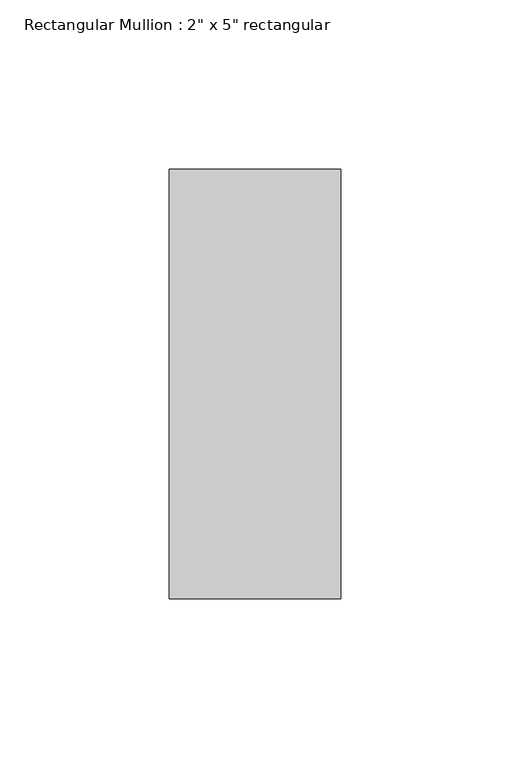
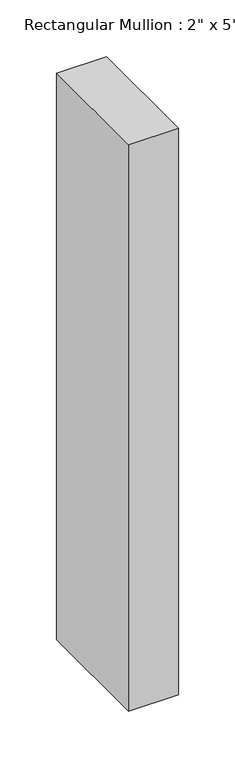
"""IFC4 building model written with IfcOpenShell, lengths in millimetres: member geometry."""

from ifc_helpers import new_model, si_unit, frame, origin, place, context, project, spatial, polyline, outline, extrude, source, transform, mapped, element, save


def member_8f4e7f58(model_context):
    return source(origin(), model_context, "Body", "SweptSolid", [
        extrude(outline(polyline([(0.0, 63.5), (0.0, -63.5), (-50.8, -63.5), (-50.8, 63.5), (0.0, 63.5)])), frame((0.0, 0.0, -609.6), z_axis=(0.0, 0.0, 1.0), x_axis=(1.0, 0.0, 0.0)), (0.0, 0.0, 1.0), 609.6),
    ])


if __name__ == "__main__":
    model = new_model("IFC4")
    model_context = context("Model", 3, world=origin())
    ifc_project = project(units=[si_unit("LENGTHUNIT", "METRE", prefix="MILLI")], contexts=[model_context])
    site = spatial("IfcSite", under=ifc_project)
    building = spatial("IfcBuilding", under=site)
    placement = place(None, origin())
    member_shape = member_8f4e7f58(model_context)
    element("IfcMember", 1, ObjectType="Rectangular Mullion : 2\" x 5\" rectangular", at=placement, inside=building, context=model_context, shape_type="MappedRepresentation", body=[
        mapped(member_shape, transform((0.0, 0.0, 0.0), x_axis=(1.0, 0.0, 0.0), y_axis=(0.0, 1.0, 0.0), z_axis=(0.0, 0.0, 1.0))),
    ])
    save(model, "model.ifc")
